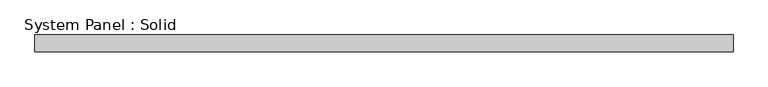
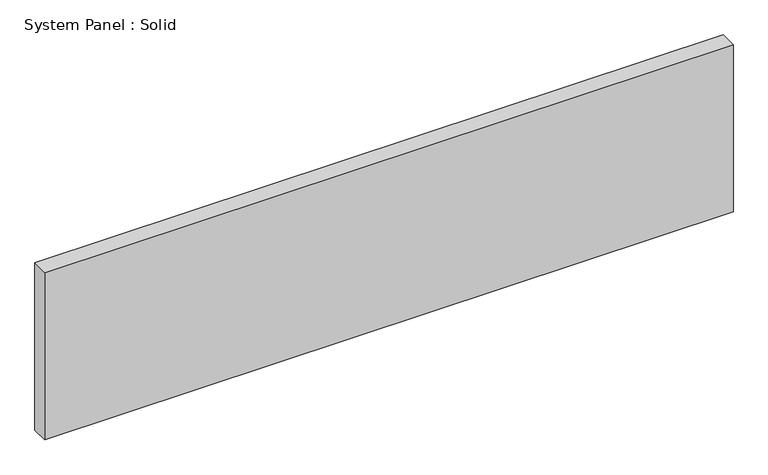
"""IFC4 building model written with IfcOpenShell, lengths in millimetres: plate geometry, System Panel : Solid."""

from ifc_helpers import new_model, si_unit, origin, origin_with_axes, place, context, project, spatial, polyline, outline, extrude, source, transform, mapped, element, save


def system_panel_solid_9d85a99c(model_context):
    return source(origin(), model_context, "Body", "SweptSolid", [
        extrude(outline(polyline([(1297.78125, -19.05), (-1297.78125, -19.05), (-1297.78125, 44.45), (1297.78125, 44.45), (1297.78125, -19.05)])), origin_with_axes(), (0.0, 0.0, 1.0), 666.75),
    ])


if __name__ == "__main__":
    model = new_model("IFC4")
    model_context = context("Model", 3, world=origin())
    ifc_project = project(units=[si_unit("LENGTHUNIT", "METRE", prefix="MILLI")], contexts=[model_context])
    site = spatial("IfcSite", under=ifc_project)
    building = spatial("IfcBuilding", under=site)
    placement = place(None, origin())
    system_panel_solid_shape = system_panel_solid_9d85a99c(model_context)
    element("IfcPlate", 1, ObjectType="System Panel : Solid", at=placement, inside=building, context=model_context, shape_type="MappedRepresentation", body=[
        mapped(system_panel_solid_shape, transform((0.0, 0.0, 0.0), x_axis=(1.0, 0.0, 0.0), y_axis=(0.0, 1.0, 0.0), z_axis=(0.0, 0.0, 1.0))),
    ])
    save(model, "model.ifc")
